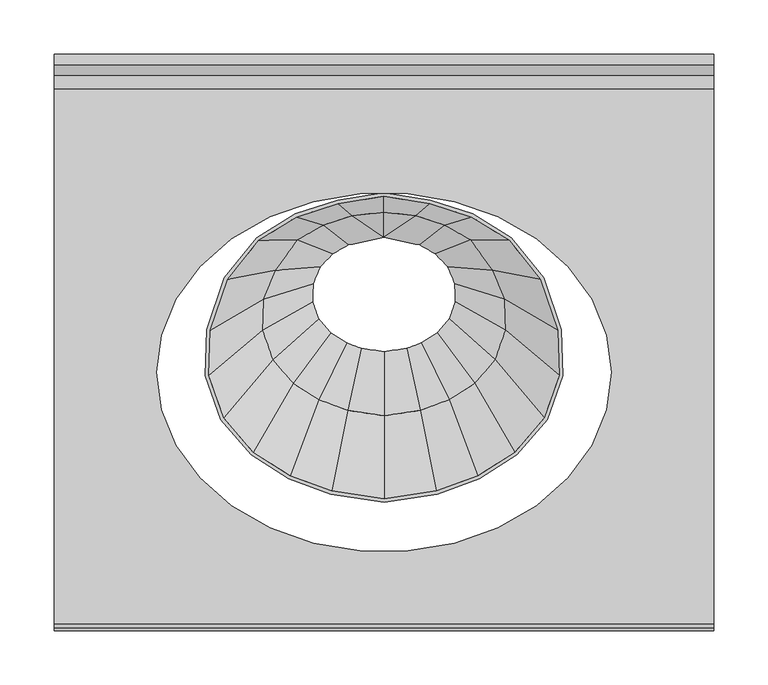
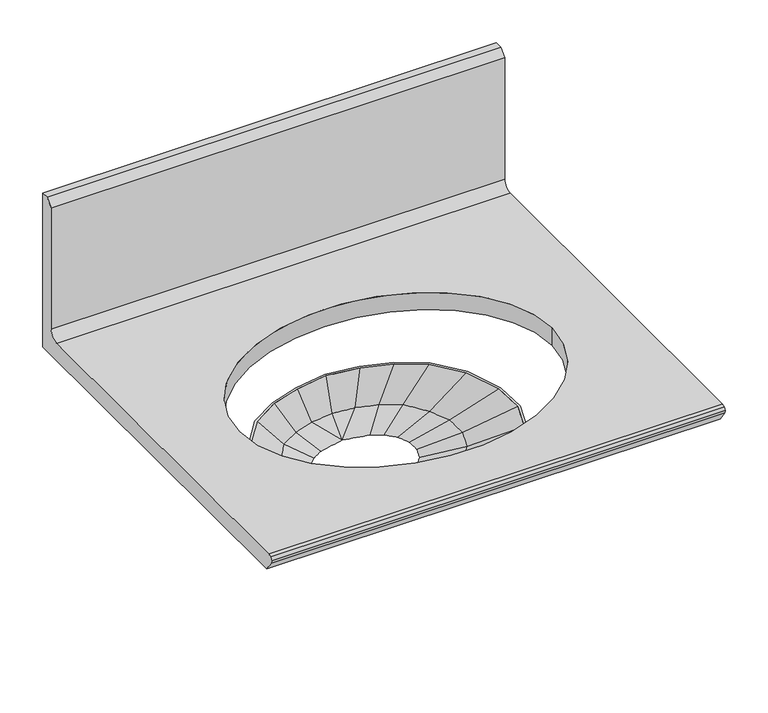
"""IFC4 building model written with IfcOpenShell, lengths in millimetres: furniture geometry."""

from ifc_helpers import new_model, si_unit, point, frame, origin, place, context, project, spatial, polyline, circle_curve, ellipse_curve, trimmed, source, transform, mapped, element, save
from ifc_brep_helpers import plane_surface, revolved_surface, extruded_surface, spline_surface, advanced_brep


def furniture_7bab2b50(model_context):
    return source(origin(), model_context, "Body", "AdvancedBrep", [
        advanced_brep(
        [(-24.0597237, -137.2040855, 819.3039971), (-63.2346944, -149.7707967, 819.3039971), (-98.9866182, -171.7890657, 819.3039971), (-128.6446462, -208.6531673, 819.3039971), (-145.1728616, -256.6473671, 819.3039971), (-146.3564376, -299.5059975, 819.3039971), (-132.036772, -339.9189559, 819.3039971), (-104.1327431, -372.4708933, 819.3039971), (-69.1948502, -394.530557, 819.3039971), (-30.4469791, -408.8793178, 819.3039971), (18.7377049, -416.1178339, 819.3039971), (67.922389, -408.8793178, 819.3039971), (106.67026, -394.530557, 819.3039971), (141.6081529, -372.4708933, 819.3039971), (169.5121819, -339.9189559, 819.3039971), (183.8318474, -299.5059975, 819.3039971), (182.6482714, -256.6473671, 819.3039971), (166.1200561, -208.6531673, 819.3039971), (136.4620281, -171.7890657, 819.3039971), (100.7101042, -149.7707967, 819.3039971), (61.5351335, -137.2040855, 819.3039971), (18.7377049, -130.2570379, 819.3039971), (-96.8557965, -174.2055888, 819.3039971), (-61.897904, -152.6763339, 819.3039971), (-23.3163113, -140.2999691, 819.3039971), (18.7377049, -133.4735951, 819.3039971), (60.7917211, -140.2999691, 819.3039971), (99.3733139, -152.6763339, 819.3039971), (134.3312064, -174.2055888, 819.3039971), (163.2986505, -210.211314, 819.3039971), (179.4879095, -257.2212613, 819.3039971), (180.6417396, -299.0027578, 819.3039971), (166.7169206, -338.3013803, 819.3039971), (139.5087825, -370.041514, 819.3039971), (105.2561194, -391.668526, 819.3039971), (67.1313943, -405.7865291, 819.3039971), (18.7377049, -412.9086344, 819.3039971), (-29.6559845, -405.7865291, 819.3039971), (-67.7807095, -391.668526, 819.3039971), (-102.0333726, -370.041514, 819.3039971), (-129.2415108, -338.3013803, 819.3039971), (-143.1663298, -299.0027578, 819.3039971), (-142.0124997, -257.2212613, 819.3039971), (-125.8232407, -210.211314, 819.3039971), (-11.2204819, -148.2516761, 774.5430665), (18.7377049, -144.9912103, 774.5430665), (48.6958917, -148.2516761, 774.5430665), (76.1183822, -157.1578912, 774.5430665), (101.1447252, -171.4755492, 774.5430665), (121.9053403, -200.1338654, 774.5430665), (133.4750919, -227.8266336, 774.5430665), (134.3035933, -257.827673, 774.5430665), (124.279832, -286.116753, 774.5430665), (104.7470126, -308.9030801, 774.5430665), (80.290493, -324.3448701, 774.5430665), (53.1669669, -334.3889882, 774.5430665), (18.7377049, -339.455928, 774.5430665), (-15.6915571, -334.3889882, 774.5430665), (-42.8150832, -324.3448701, 774.5430665), (-67.2716028, -308.9030801, 774.5430665), (-86.8044221, -286.116753, 774.5430665), (-96.8281835, -257.827673, 774.5430665), (-95.9996821, -227.8266336, 774.5430665), (-84.4299304, -200.1338654, 774.5430665), (-63.6693154, -171.4755492, 774.5430665), (-38.6429723, -157.1578912, 774.5430665), (-37.3506682, -160.0764329, 774.5430665), (-61.4992053, -173.8918951, 774.5430665), (-81.6424408, -201.6979696, 774.5430665), (-92.8422098, -228.5051664, 774.5430665), (-93.6380757, -257.3244337, 774.5430665), (-84.009161, -284.4991768, 774.5430665), (-65.1722323, -306.4737013, 774.5430665), (-41.4009422, -321.4828391, 774.5430665), (-14.9005643, -331.296199, 774.5430665), (18.7377049, -336.2467287, 774.5430665), (52.3759741, -331.296199, 774.5430665), (78.876352, -321.4828391, 774.5430665), (102.6476421, -306.4737013, 774.5430665), (121.4845708, -284.4991768, 774.5430665), (131.1134855, -257.3244337, 774.5430665), (130.3176197, -228.5051664, 774.5430665), (119.1178506, -201.6979696, 774.5430665), (98.9746151, -173.8918951, 774.5430665), (74.826078, -160.0764329, 774.5430665), (48.026713, -151.3725951, 774.5430665), (18.7377049, -148.1849586, 774.5430665), (-10.5513032, -151.3725951, 774.5430665)],
        [
            (0, 1),
            (1, 2),
            (2, 3),
            (3, 4),
            (4, 5),
            (5, 6),
            (6, 7),
            (7, 8),
            (8, 9),
            (9, 10),
            (10, 11),
            (11, 12),
            (12, 13),
            (13, 14),
            (14, 15),
            (15, 16),
            (16, 17),
            (17, 18),
            (18, 19),
            (19, 20),
            (20, 21),
            (21, 0),
            (22, 23),
            (23, 24),
            (24, 25),
            (25, 26),
            (26, 27),
            (27, 28),
            (28, 29),
            (29, 30),
            (30, 31),
            (31, 32),
            (32, 33),
            (33, 34),
            (34, 35),
            (35, 36),
            (36, 37),
            (37, 38),
            (38, 39),
            (39, 40),
            (40, 41),
            (41, 42),
            (42, 43),
            (43, 22),
            (44, 45),
            (45, 46),
            (46, 47),
            (47, 48),
            (48, 49),
            (49, 50),
            (50, 51),
            (51, 52),
            (52, 53),
            (53, 54),
            (54, 55),
            (55, 56),
            (56, 57),
            (57, 58),
            (58, 59),
            (59, 60),
            (60, 61),
            (61, 62),
            (62, 63),
            (63, 64),
            (64, 65),
            (65, 44),
            (66, 67),
            (67, 68),
            (68, 69),
            (69, 70),
            (70, 71),
            (71, 72),
            (72, 73),
            (73, 74),
            (74, 75),
            (75, 76),
            (76, 77),
            (77, 78),
            (78, 79),
            (79, 80),
            (80, 81),
            (81, 82),
            (82, 83),
            (83, 84),
            (84, 85),
            (85, 86),
            (86, 87),
            (87, 66),
            (0, 44),
            (65, 1),
            (64, 2),
            (63, 3),
            (62, 4),
            (61, 5),
            (60, 6),
            (59, 7),
            (58, 8),
            (57, 9),
            (56, 10),
            (55, 11),
            (54, 12),
            (53, 13),
            (52, 14),
            (51, 15),
            (50, 16),
            (49, 17),
            (48, 18),
            (47, 19),
            (46, 20),
            (45, 21),
            (66, 23),
            (22, 67),
            (43, 68),
            (42, 69),
            (41, 70),
            (40, 71),
            (39, 72),
            (38, 73),
            (37, 74),
            (36, 75),
            (35, 76),
            (34, 77),
            (33, 78),
            (32, 79),
            (31, 80),
            (30, 81),
            (29, 82),
            (28, 83),
            (27, 84),
            (26, 85),
            (25, 86),
            (24, 87),
        ],
        [
            plane_surface(frame((18.7377049, -273.8688763, 819.3039971), z_axis=(0.0, 0.0, 1.0), x_axis=(-0.9522071549282068, -0.30545299819044175, 0.0))),
            plane_surface(frame((18.7377049, -241.6955045, 774.5430665), z_axis=(0.0, 0.0, -1.0), x_axis=(-0.9522071549282068, -0.30545299819044175, 0.0))),
            spline_surface(1, 1, [[(-11.2204819, -148.2516761, 774.5430665), (-24.0597237, -137.2040855, 819.3039971)], [(-38.6429723, -157.1578912, 774.5430665), (-63.2346944, -149.7707967, 819.3039971)]], [2, 2], [2, 2], [0.0, 1.0], [0.0, 1.0]),
            spline_surface(1, 1, [[(-38.6429723, -157.1578912, 774.5430665), (-63.2346944, -149.7707967, 819.3039971)], [(-63.6693154, -171.4755492, 774.5430665), (-98.9866182, -171.7890657, 819.3039971)]], [2, 2], [2, 2], [0.0, 1.0], [0.0, 1.0]),
            spline_surface(1, 1, [[(-63.6693154, -171.4755492, 774.5430665), (-98.9866182, -171.7890657, 819.3039971)], [(-84.4299304, -200.1338654, 774.5430665), (-128.6446462, -208.6531673, 819.3039971)]], [2, 2], [2, 2], [0.0, 1.0], [0.0, 1.0]),
            spline_surface(1, 1, [[(-84.4299304, -200.1338654, 774.5430665), (-128.6446462, -208.6531673, 819.3039971)], [(-95.9996821, -227.8266336, 774.5430665), (-145.1728616, -256.6473671, 819.3039971)]], [2, 2], [2, 2], [0.0, 1.0], [0.0, 1.0]),
            spline_surface(1, 1, [[(-95.9996821, -227.8266336, 774.5430665), (-145.1728616, -256.6473671, 819.3039971)], [(-96.8281835, -257.827673, 774.5430665), (-146.3564376, -299.5059975, 819.3039971)]], [2, 2], [2, 2], [0.0, 1.0], [0.0, 1.0]),
            spline_surface(1, 1, [[(-96.8281835, -257.827673, 774.5430665), (-146.3564376, -299.5059975, 819.3039971)], [(-86.8044221, -286.116753, 774.5430665), (-132.036772, -339.9189559, 819.3039971)]], [2, 2], [2, 2], [0.0, 1.0], [0.0, 1.0]),
            spline_surface(1, 1, [[(-86.8044221, -286.116753, 774.5430665), (-132.036772, -339.9189559, 819.3039971)], [(-67.2716028, -308.9030801, 774.5430665), (-104.1327431, -372.4708933, 819.3039971)]], [2, 2], [2, 2], [0.0, 1.0], [0.0, 1.0]),
            spline_surface(1, 1, [[(-67.2716028, -308.9030801, 774.5430665), (-104.1327431, -372.4708933, 819.3039971)], [(-42.8150832, -324.3448701, 774.5430665), (-69.1948502, -394.530557, 819.3039971)]], [2, 2], [2, 2], [0.0, 1.0], [0.0, 1.0]),
            spline_surface(1, 1, [[(-42.8150832, -324.3448701, 774.5430665), (-69.1948502, -394.530557, 819.3039971)], [(-15.6915571, -334.3889882, 774.5430665), (-30.4469791, -408.8793178, 819.3039971)]], [2, 2], [2, 2], [0.0, 1.0], [0.0, 1.0]),
            spline_surface(1, 1, [[(-15.6915571, -334.3889882, 774.5430665), (-30.4469791, -408.8793178, 819.3039971)], [(18.7377049, -339.455928, 774.5430665), (18.7377049, -416.1178339, 819.3039971)]], [2, 2], [2, 2], [0.0, 1.0], [0.0, 1.0]),
            spline_surface(1, 1, [[(18.7377049, -339.455928, 774.5430665), (18.7377049, -416.1178339, 819.3039971)], [(53.1669669, -334.3889882, 774.5430665), (67.922389, -408.8793178, 819.3039971)]], [2, 2], [2, 2], [0.0, 1.0], [0.0, 1.0]),
            spline_surface(1, 1, [[(53.1669669, -334.3889882, 774.5430665), (67.922389, -408.8793178, 819.3039971)], [(80.290493, -324.3448701, 774.5430665), (106.67026, -394.530557, 819.3039971)]], [2, 2], [2, 2], [0.0, 1.0], [0.0, 1.0]),
            spline_surface(1, 1, [[(80.290493, -324.3448701, 774.5430665), (106.67026, -394.530557, 819.3039971)], [(104.7470126, -308.9030801, 774.5430665), (141.6081529, -372.4708933, 819.3039971)]], [2, 2], [2, 2], [0.0, 1.0], [0.0, 1.0]),
            spline_surface(1, 1, [[(104.7470126, -308.9030801, 774.5430665), (141.6081529, -372.4708933, 819.3039971)], [(124.279832, -286.116753, 774.5430665), (169.5121819, -339.9189559, 819.3039971)]], [2, 2], [2, 2], [0.0, 1.0], [0.0, 1.0]),
            spline_surface(1, 1, [[(124.279832, -286.116753, 774.5430665), (169.5121819, -339.9189559, 819.3039971)], [(134.3035933, -257.827673, 774.5430665), (183.8318474, -299.5059975, 819.3039971)]], [2, 2], [2, 2], [0.0, 1.0], [0.0, 1.0]),
            spline_surface(1, 1, [[(134.3035933, -257.827673, 774.5430665), (183.8318474, -299.5059975, 819.3039971)], [(133.4750919, -227.8266336, 774.5430665), (182.6482714, -256.6473671, 819.3039971)]], [2, 2], [2, 2], [0.0, 1.0], [0.0, 1.0]),
            spline_surface(1, 1, [[(133.4750919, -227.8266336, 774.5430665), (182.6482714, -256.6473671, 819.3039971)], [(121.9053403, -200.1338654, 774.5430665), (166.1200561, -208.6531673, 819.3039971)]], [2, 2], [2, 2], [0.0, 1.0], [0.0, 1.0]),
            spline_surface(1, 1, [[(121.9053403, -200.1338654, 774.5430665), (166.1200561, -208.6531673, 819.3039971)], [(101.1447252, -171.4755492, 774.5430665), (136.4620281, -171.7890657, 819.3039971)]], [2, 2], [2, 2], [0.0, 1.0], [0.0, 1.0]),
            spline_surface(1, 1, [[(101.1447252, -171.4755492, 774.5430665), (136.4620281, -171.7890657, 819.3039971)], [(76.1183822, -157.1578912, 774.5430665), (100.7101042, -149.7707967, 819.3039971)]], [2, 2], [2, 2], [0.0, 1.0], [0.0, 1.0]),
            spline_surface(1, 1, [[(76.1183822, -157.1578912, 774.5430665), (100.7101042, -149.7707967, 819.3039971)], [(48.6958917, -148.2516761, 774.5430665), (61.5351335, -137.2040855, 819.3039971)]], [2, 2], [2, 2], [0.0, 1.0], [0.0, 1.0]),
            spline_surface(1, 1, [[(48.6958917, -148.2516761, 774.5430665), (61.5351335, -137.2040855, 819.3039971)], [(18.7377049, -144.9912103, 774.5430665), (18.7377049, -130.2570379, 819.3039971)]], [2, 2], [2, 2], [0.0, 1.0], [0.0, 1.0]),
            spline_surface(1, 1, [[(18.7377049, -144.9912103, 774.5430665), (18.7377049, -130.2570379, 819.3039971)], [(-11.2204819, -148.2516761, 774.5430665), (-24.0597237, -137.2040855, 819.3039971)]], [2, 2], [2, 2], [0.0, 1.0], [0.0, 1.0]),
            spline_surface(1, 1, [[(-37.3506682, -160.0764329, 774.5430665), (-61.4992053, -173.8918951, 774.5430665)], [(-61.897904, -152.6763339, 819.3039971), (-96.8557965, -174.2055888, 819.3039971)]], [2, 2], [2, 2], [0.0, 1.0], [0.0, 1.0]),
            spline_surface(1, 1, [[(-61.4992053, -173.8918951, 774.5430665), (-81.6424408, -201.6979696, 774.5430665)], [(-96.8557965, -174.2055888, 819.3039971), (-125.8232407, -210.211314, 819.3039971)]], [2, 2], [2, 2], [0.0, 1.0], [0.0, 1.0]),
            spline_surface(1, 1, [[(-81.6424408, -201.6979696, 774.5430665), (-92.8422098, -228.5051664, 774.5430665)], [(-125.8232407, -210.211314, 819.3039971), (-142.0124997, -257.2212613, 819.3039971)]], [2, 2], [2, 2], [0.0, 1.0], [0.0, 1.0]),
            spline_surface(1, 1, [[(-92.8422098, -228.5051664, 774.5430665), (-93.6380757, -257.3244337, 774.5430665)], [(-142.0124997, -257.2212613, 819.3039971), (-143.1663298, -299.0027578, 819.3039971)]], [2, 2], [2, 2], [0.0, 1.0], [0.0, 1.0]),
            spline_surface(1, 1, [[(-93.6380757, -257.3244337, 774.5430665), (-84.009161, -284.4991768, 774.5430665)], [(-143.1663298, -299.0027578, 819.3039971), (-129.2415108, -338.3013803, 819.3039971)]], [2, 2], [2, 2], [0.0, 1.0], [0.0, 1.0]),
            spline_surface(1, 1, [[(-84.009161, -284.4991768, 774.5430665), (-65.1722323, -306.4737013, 774.5430665)], [(-129.2415108, -338.3013803, 819.3039971), (-102.0333726, -370.041514, 819.3039971)]], [2, 2], [2, 2], [0.0, 1.0], [0.0, 1.0]),
            spline_surface(1, 1, [[(-65.1722323, -306.4737013, 774.5430665), (-41.4009422, -321.4828391, 774.5430665)], [(-102.0333726, -370.041514, 819.3039971), (-67.7807095, -391.668526, 819.3039971)]], [2, 2], [2, 2], [0.0, 1.0], [0.0, 1.0]),
            spline_surface(1, 1, [[(-41.4009422, -321.4828391, 774.5430665), (-14.9005643, -331.296199, 774.5430665)], [(-67.7807095, -391.668526, 819.3039971), (-29.6559845, -405.7865291, 819.3039971)]], [2, 2], [2, 2], [0.0, 1.0], [0.0, 1.0]),
            spline_surface(1, 1, [[(-14.9005643, -331.296199, 774.5430665), (18.7377049, -336.2467287, 774.5430665)], [(-29.6559845, -405.7865291, 819.3039971), (18.7377049, -412.9086344, 819.3039971)]], [2, 2], [2, 2], [0.0, 1.0], [0.0, 1.0]),
            spline_surface(1, 1, [[(18.7377049, -336.2467287, 774.5430665), (52.3759741, -331.296199, 774.5430665)], [(18.7377049, -412.9086344, 819.3039971), (67.1313943, -405.7865291, 819.3039971)]], [2, 2], [2, 2], [0.0, 1.0], [0.0, 1.0]),
            spline_surface(1, 1, [[(52.3759741, -331.296199, 774.5430665), (78.876352, -321.4828391, 774.5430665)], [(67.1313943, -405.7865291, 819.3039971), (105.2561194, -391.668526, 819.3039971)]], [2, 2], [2, 2], [0.0, 1.0], [0.0, 1.0]),
            spline_surface(1, 1, [[(78.876352, -321.4828391, 774.5430665), (102.6476421, -306.4737013, 774.5430665)], [(105.2561194, -391.668526, 819.3039971), (139.5087825, -370.041514, 819.3039971)]], [2, 2], [2, 2], [0.0, 1.0], [0.0, 1.0]),
            spline_surface(1, 1, [[(102.6476421, -306.4737013, 774.5430665), (121.4845708, -284.4991768, 774.5430665)], [(139.5087825, -370.041514, 819.3039971), (166.7169206, -338.3013803, 819.3039971)]], [2, 2], [2, 2], [0.0, 1.0], [0.0, 1.0]),
            spline_surface(1, 1, [[(121.4845708, -284.4991768, 774.5430665), (131.1134855, -257.3244337, 774.5430665)], [(166.7169206, -338.3013803, 819.3039971), (180.6417396, -299.0027578, 819.3039971)]], [2, 2], [2, 2], [0.0, 1.0], [0.0, 1.0]),
            spline_surface(1, 1, [[(131.1134855, -257.3244337, 774.5430665), (130.3176197, -228.5051664, 774.5430665)], [(180.6417396, -299.0027578, 819.3039971), (179.4879095, -257.2212613, 819.3039971)]], [2, 2], [2, 2], [0.0, 1.0], [0.0, 1.0]),
            spline_surface(1, 1, [[(130.3176197, -228.5051664, 774.5430665), (119.1178506, -201.6979696, 774.5430665)], [(179.4879095, -257.2212613, 819.3039971), (163.2986505, -210.211314, 819.3039971)]], [2, 2], [2, 2], [0.0, 1.0], [0.0, 1.0]),
            spline_surface(1, 1, [[(119.1178506, -201.6979696, 774.5430665), (98.9746151, -173.8918951, 774.5430665)], [(163.2986505, -210.211314, 819.3039971), (134.3312064, -174.2055888, 819.3039971)]], [2, 2], [2, 2], [0.0, 1.0], [0.0, 1.0]),
            spline_surface(1, 1, [[(98.9746151, -173.8918951, 774.5430665), (74.826078, -160.0764329, 774.5430665)], [(134.3312064, -174.2055888, 819.3039971), (99.3733139, -152.6763339, 819.3039971)]], [2, 2], [2, 2], [0.0, 1.0], [0.0, 1.0]),
            spline_surface(1, 1, [[(74.826078, -160.0764329, 774.5430665), (48.026713, -151.3725951, 774.5430665)], [(99.3733139, -152.6763339, 819.3039971), (60.7917211, -140.2999691, 819.3039971)]], [2, 2], [2, 2], [0.0, 1.0], [0.0, 1.0]),
            spline_surface(1, 1, [[(48.026713, -151.3725951, 774.5430665), (18.7377049, -148.1849586, 774.5430665)], [(60.7917211, -140.2999691, 819.3039971), (18.7377049, -133.4735951, 819.3039971)]], [2, 2], [2, 2], [0.0, 1.0], [0.0, 1.0]),
            spline_surface(1, 1, [[(18.7377049, -148.1849586, 774.5430665), (-10.5513032, -151.3725951, 774.5430665)], [(18.7377049, -133.4735951, 819.3039971), (-23.3163113, -140.2999691, 819.3039971)]], [2, 2], [2, 2], [0.0, 1.0], [0.0, 1.0]),
            spline_surface(1, 1, [[(-10.5513032, -151.3725951, 774.5430665), (-37.3506682, -160.0764329, 774.5430665)], [(-23.3163113, -140.2999691, 819.3039971), (-61.897904, -152.6763339, 819.3039971)]], [2, 2], [2, 2], [0.0, 1.0], [0.0, 1.0]),
        ],
        [
            (0, [[1, 2, 3, 4, 5, 6, 7, 8, 9, 10, 11, 12, 13, 14, 15, 16, 17, 18, 19, 20, 21, 22], [23, 24, 25, 26, 27, 28, 29, 30, 31, 32, 33, 34, 35, 36, 37, 38, 39, 40, 41, 42, 43, 44]]),
            (1, [[45, 46, 47, 48, 49, 50, 51, 52, 53, 54, 55, 56, 57, 58, 59, 60, 61, 62, 63, 64, 65, 66], [67, 68, 69, 70, 71, 72, 73, 74, 75, 76, 77, 78, 79, 80, 81, 82, 83, 84, 85, 86, 87, 88]]),
            (2, [[-1, 89, -66, 90]]),
            (3, [[-2, -90, -65, 91]]),
            (4, [[-3, -91, -64, 92]]),
            (5, [[-4, -92, -63, 93]]),
            (6, [[-5, -93, -62, 94]]),
            (7, [[-6, -94, -61, 95]]),
            (8, [[-7, -95, -60, 96]]),
            (9, [[-8, -96, -59, 97]]),
            (10, [[-9, -97, -58, 98]]),
            (11, [[-10, -98, -57, 99]]),
            (12, [[-11, -99, -56, 100]]),
            (13, [[-12, -100, -55, 101]]),
            (14, [[-13, -101, -54, 102]]),
            (15, [[-14, -102, -53, 103]]),
            (16, [[-15, -103, -52, 104]]),
            (17, [[-16, -104, -51, 105]]),
            (18, [[-17, -105, -50, 106]]),
            (19, [[-18, -106, -49, 107]]),
            (20, [[-19, -107, -48, 108]]),
            (21, [[-20, -108, -47, 109]]),
            (22, [[-21, -109, -46, 110]]),
            (23, [[-22, -110, -45, -89]]),
            (24, [[111, -23, 112, -67]]),
            (25, [[-112, -44, 113, -68]]),
            (26, [[-113, -43, 114, -69]]),
            (27, [[-114, -42, 115, -70]]),
            (28, [[-115, -41, 116, -71]]),
            (29, [[-116, -40, 117, -72]]),
            (30, [[-117, -39, 118, -73]]),
            (31, [[-118, -38, 119, -74]]),
            (32, [[-119, -37, 120, -75]]),
            (33, [[-120, -36, 121, -76]]),
            (34, [[-121, -35, 122, -77]]),
            (35, [[-122, -34, 123, -78]]),
            (36, [[-123, -33, 124, -79]]),
            (37, [[-124, -32, 125, -80]]),
            (38, [[-125, -31, 126, -81]]),
            (39, [[-126, -30, 127, -82]]),
            (40, [[-127, -29, 128, -83]]),
            (41, [[-128, -28, 129, -84]]),
            (42, [[-129, -27, 130, -85]]),
            (43, [[-130, -26, 131, -86]]),
            (44, [[-131, -25, 132, -87]]),
            (45, [[-111, -88, -132, -24]]),
        ],
    ),
        advanced_brep(
        [(-38.6429723, -157.1578912, 774.5430665), (-63.6693154, -171.4755492, 774.5430665), (-84.4299304, -200.1338654, 774.5430665), (-95.9996821, -227.8266336, 774.5430665), (-96.8281835, -257.827673, 774.5430665), (-86.8044221, -286.116753, 774.5430665), (-67.2716028, -308.9030801, 774.5430665), (-42.8150832, -324.3448701, 774.5430665), (-15.6915571, -334.3889882, 774.5430665), (18.7377049, -339.455928, 774.5430665), (53.1669669, -334.3889882, 774.5430665), (80.290493, -324.3448701, 774.5430665), (104.7470126, -308.9030801, 774.5430665), (124.279832, -286.116753, 774.5430665), (134.3035933, -257.827673, 774.5430665), (133.4750919, -227.8266336, 774.5430665), (121.9053403, -200.1338654, 774.5430665), (101.1447252, -171.4755492, 774.5430665), (76.1183822, -157.1578912, 774.5430665), (48.6958917, -148.2516761, 774.5430665), (18.7377049, -144.9912103, 774.5430665), (-11.2204819, -148.2516761, 774.5430665), (-61.4992053, -173.8918951, 774.5430665), (-37.3506682, -160.0764329, 774.5430665), (-10.5513032, -151.3725951, 774.5430665), (18.7377049, -148.1849586, 774.5430665), (48.026713, -151.3725951, 774.5430665), (74.826078, -160.0764329, 774.5430665), (98.9746151, -173.8918951, 774.5430665), (119.1178506, -201.6979696, 774.5430665), (130.3176197, -228.5051664, 774.5430665), (131.1134855, -257.3244337, 774.5430665), (121.4845708, -284.4991768, 774.5430665), (102.6476421, -306.4737013, 774.5430665), (78.876352, -321.4828391, 774.5430665), (52.3759741, -331.296199, 774.5430665), (18.7377049, -336.2467287, 774.5430665), (-14.9005643, -331.296199, 774.5430665), (-41.4009422, -321.4828391, 774.5430665), (-65.1722323, -306.4737013, 774.5430665), (-84.009161, -284.4991768, 774.5430665), (-93.6380757, -257.3244337, 774.5430665), (-92.8422098, -228.5051664, 774.5430665), (-81.6424408, -201.6979696, 774.5430665), (-15.5833152, -175.4794291, 750.6956955), (18.7377049, -168.1204068, 750.6956955), (53.058725, -175.4794291, 750.6956955), (68.0276878, -184.0432232, 750.6956955), (80.4452074, -197.0068215, 750.6956955), (87.3654064, -213.5706724, 750.6956955), (87.8609612, -231.5151439, 750.6956955), (81.8654696, -248.4356591, 750.6956955), (70.1823164, -262.0648054, 750.6956955), (54.6193719, -271.8912115, 750.6956955), (40.4246174, -277.1476864, 750.6956955), (18.7377049, -280.3393492, 750.6956955), (-2.9492076, -277.1476864, 750.6956955), (-17.1439621, -271.8912115, 750.6956955), (-32.7069066, -262.0648054, 750.6956955), (-44.3900597, -248.4356591, 750.6956955), (-50.3855513, -231.5151439, 750.6956955), (-49.8899966, -213.5706724, 750.6956955), (-42.9697976, -197.0068215, 750.6956955), (-30.5522779, -184.0432232, 750.6956955), (-14.4350781, -178.480392, 750.6956955), (-28.5770714, -186.5710742, 750.6956955), (-40.2680696, -198.7762011, 750.6956955), (-46.7325245, -214.2492051, 750.6956955), (-47.1954435, -231.0119058, 750.6956955), (-41.5947986, -246.8180821, 750.6956955), (-30.6075374, -259.6354257, 750.6956955), (-15.7298201, -269.0291811, 750.6956955), (-2.1582129, -274.0548976, 750.6956955), (18.7377049, -277.1301497, 750.6956955), (39.6336228, -274.0548976, 750.6956955), (53.2052299, -269.0291811, 750.6956955), (68.0829473, -259.6354257, 750.6956955), (79.0702084, -246.8180821, 750.6956955), (84.6708533, -231.0119058, 750.6956955), (84.2079343, -214.2492051, 750.6956955), (77.7434795, -198.7762011, 750.6956955), (66.0524813, -186.5710742, 750.6956955), (51.910488, -178.480392, 750.6956955), (18.7377049, -171.3675717, 750.6956955)],
        [
            (0, 1),
            (1, 2),
            (2, 3),
            (3, 4),
            (4, 5),
            (5, 6),
            (6, 7),
            (7, 8),
            (8, 9),
            (9, 10),
            (10, 11),
            (11, 12),
            (12, 13),
            (13, 14),
            (14, 15),
            (15, 16),
            (16, 17),
            (17, 18),
            (18, 19),
            (19, 20),
            (20, 21),
            (21, 0),
            (22, 23),
            (23, 24),
            (24, 25),
            (25, 26),
            (26, 27),
            (27, 28),
            (28, 29),
            (29, 30),
            (30, 31),
            (31, 32),
            (32, 33),
            (33, 34),
            (34, 35),
            (35, 36),
            (36, 37),
            (37, 38),
            (38, 39),
            (39, 40),
            (40, 41),
            (41, 42),
            (42, 43),
            (43, 22),
            (44, 45),
            (45, 46),
            (46, 47),
            (47, 48),
            (48, 49),
            (49, 50),
            (50, 51),
            (51, 52),
            (52, 53),
            (53, 54),
            (54, 55),
            (55, 56),
            (56, 57),
            (57, 58),
            (58, 59),
            (59, 60),
            (60, 61),
            (61, 62),
            (62, 63),
            (63, 44),
            (64, 65),
            (65, 66),
            (66, 67),
            (67, 68),
            (68, 69),
            (69, 70),
            (70, 71),
            (71, 72),
            (72, 73),
            (73, 74),
            (74, 75),
            (75, 76),
            (76, 77),
            (77, 78),
            (78, 79),
            (79, 80),
            (80, 81),
            (81, 82),
            (82, 83),
            (83, 64),
            (0, 44),
            (63, 1),
            (62, 2),
            (61, 3),
            (60, 4),
            (59, 5),
            (58, 6),
            (57, 7),
            (56, 8),
            (55, 9),
            (54, 10),
            (53, 11),
            (52, 12),
            (51, 13),
            (50, 14),
            (49, 15),
            (48, 16),
            (47, 17),
            (46, 18),
            (45, 19),
            (45, 20),
            (45, 21),
            (64, 23),
            (22, 65),
            (43, 66),
            (42, 67),
            (41, 68),
            (40, 69),
            (39, 70),
            (38, 71),
            (37, 72),
            (36, 73),
            (35, 74),
            (34, 75),
            (33, 76),
            (32, 77),
            (31, 78),
            (30, 79),
            (29, 80),
            (28, 81),
            (27, 82),
            (26, 83),
            (25, 83),
            (24, 83),
        ],
        [
            plane_surface(frame((18.7377049, -241.6955045, 774.5430665), z_axis=(0.0, 0.0, 1.0), x_axis=(-0.9941296915036737, -0.10819499281764651, 0.0))),
            plane_surface(frame((18.7377049, -228.538453, 750.6956955), z_axis=(0.0, 0.0, -1.0), x_axis=(-0.9941296915036737, -0.10819499281764651, 0.0))),
            spline_surface(1, 1, [[(-15.5833152, -175.4794291, 750.6956955), (-38.6429723, -157.1578912, 774.5430665)], [(-30.5522779, -184.0432232, 750.6956955), (-63.6693154, -171.4755492, 774.5430665)]], [2, 2], [2, 2], [0.0, 1.0], [0.0, 1.0]),
            spline_surface(1, 1, [[(-30.5522779, -184.0432232, 750.6956955), (-63.6693154, -171.4755492, 774.5430665)], [(-42.9697976, -197.0068215, 750.6956955), (-84.4299304, -200.1338654, 774.5430665)]], [2, 2], [2, 2], [0.0, 1.0], [0.0, 1.0]),
            spline_surface(1, 1, [[(-42.9697976, -197.0068215, 750.6956955), (-84.4299304, -200.1338654, 774.5430665)], [(-49.8899966, -213.5706724, 750.6956955), (-95.9996821, -227.8266336, 774.5430665)]], [2, 2], [2, 2], [0.0, 1.0], [0.0, 1.0]),
            spline_surface(1, 1, [[(-49.8899966, -213.5706724, 750.6956955), (-95.9996821, -227.8266336, 774.5430665)], [(-50.3855513, -231.5151439, 750.6956955), (-96.8281835, -257.827673, 774.5430665)]], [2, 2], [2, 2], [0.0, 1.0], [0.0, 1.0]),
            spline_surface(1, 1, [[(-50.3855513, -231.5151439, 750.6956955), (-96.8281835, -257.827673, 774.5430665)], [(-44.3900597, -248.4356591, 750.6956955), (-86.8044221, -286.116753, 774.5430665)]], [2, 2], [2, 2], [0.0, 1.0], [0.0, 1.0]),
            spline_surface(1, 1, [[(-44.3900597, -248.4356591, 750.6956955), (-86.8044221, -286.116753, 774.5430665)], [(-32.7069066, -262.0648054, 750.6956955), (-67.2716028, -308.9030801, 774.5430665)]], [2, 2], [2, 2], [0.0, 1.0], [0.0, 1.0]),
            spline_surface(1, 1, [[(-32.7069066, -262.0648054, 750.6956955), (-67.2716028, -308.9030801, 774.5430665)], [(-17.1439621, -271.8912115, 750.6956955), (-42.8150832, -324.3448701, 774.5430665)]], [2, 2], [2, 2], [0.0, 1.0], [0.0, 1.0]),
            spline_surface(1, 1, [[(-17.1439621, -271.8912115, 750.6956955), (-42.8150832, -324.3448701, 774.5430665)], [(-2.9492076, -277.1476864, 750.6956955), (-15.6915571, -334.3889882, 774.5430665)]], [2, 2], [2, 2], [0.0, 1.0], [0.0, 1.0]),
            spline_surface(1, 1, [[(-2.9492076, -277.1476864, 750.6956955), (-15.6915571, -334.3889882, 774.5430665)], [(18.7377049, -280.3393492, 750.6956955), (18.7377049, -339.455928, 774.5430665)]], [2, 2], [2, 2], [0.0, 1.0], [0.0, 1.0]),
            spline_surface(1, 1, [[(18.7377049, -280.3393492, 750.6956955), (18.7377049, -339.455928, 774.5430665)], [(40.4246174, -277.1476864, 750.6956955), (53.1669669, -334.3889882, 774.5430665)]], [2, 2], [2, 2], [0.0, 1.0], [0.0, 1.0]),
            spline_surface(1, 1, [[(40.4246174, -277.1476864, 750.6956955), (53.1669669, -334.3889882, 774.5430665)], [(54.6193719, -271.8912115, 750.6956955), (80.290493, -324.3448701, 774.5430665)]], [2, 2], [2, 2], [0.0, 1.0], [0.0, 1.0]),
            spline_surface(1, 1, [[(54.6193719, -271.8912115, 750.6956955), (80.290493, -324.3448701, 774.5430665)], [(70.1823164, -262.0648054, 750.6956955), (104.7470126, -308.9030801, 774.5430665)]], [2, 2], [2, 2], [0.0, 1.0], [0.0, 1.0]),
            spline_surface(1, 1, [[(70.1823164, -262.0648054, 750.6956955), (104.7470126, -308.9030801, 774.5430665)], [(81.8654696, -248.4356591, 750.6956955), (124.279832, -286.116753, 774.5430665)]], [2, 2], [2, 2], [0.0, 1.0], [0.0, 1.0]),
            spline_surface(1, 1, [[(81.8654696, -248.4356591, 750.6956955), (124.279832, -286.116753, 774.5430665)], [(87.8609612, -231.5151439, 750.6956955), (134.3035933, -257.827673, 774.5430665)]], [2, 2], [2, 2], [0.0, 1.0], [0.0, 1.0]),
            spline_surface(1, 1, [[(87.8609612, -231.5151439, 750.6956955), (134.3035933, -257.827673, 774.5430665)], [(87.3654064, -213.5706724, 750.6956955), (133.4750919, -227.8266336, 774.5430665)]], [2, 2], [2, 2], [0.0, 1.0], [0.0, 1.0]),
            spline_surface(1, 1, [[(87.3654064, -213.5706724, 750.6956955), (133.4750919, -227.8266336, 774.5430665)], [(80.4452074, -197.0068215, 750.6956955), (121.9053403, -200.1338654, 774.5430665)]], [2, 2], [2, 2], [0.0, 1.0], [0.0, 1.0]),
            spline_surface(1, 1, [[(80.4452074, -197.0068215, 750.6956955), (121.9053403, -200.1338654, 774.5430665)], [(68.0276878, -184.0432232, 750.6956955), (101.1447252, -171.4755492, 774.5430665)]], [2, 2], [2, 2], [0.0, 1.0], [0.0, 1.0]),
            spline_surface(1, 1, [[(68.0276878, -184.0432232, 750.6956955), (101.1447252, -171.4755492, 774.5430665)], [(53.058725, -175.4794291, 750.6956955), (76.1183822, -157.1578912, 774.5430665)]], [2, 2], [2, 2], [0.0, 1.0], [0.0, 1.0]),
            spline_surface(1, 1, [[(53.058725, -175.4794291, 750.6956955), (76.1183822, -157.1578912, 774.5430665)], [(18.7377049, -168.1204068, 750.6956955), (48.6958917, -148.2516761, 774.5430665)]], [2, 2], [2, 2], [0.0, 1.0], [0.0, 1.0]),
            plane_surface(frame((18.7377049, -168.1204068, 750.6956955), z_axis=(0.07788723354249719, 0.7156524478372029, -0.6941002469065375), x_axis=(-0.9941296915036737, 0.10819499281764651, 0.0))),
            plane_surface(frame((18.7377049, -168.1204068, 750.6956955), z_axis=(-0.07788723354249717, 0.7156524478372028, -0.6941002469065375), x_axis=(-0.9941296915036737, -0.10819499281764651, 0.0))),
            spline_surface(1, 1, [[(18.7377049, -168.1204068, 750.6956955), (-11.2204819, -148.2516761, 774.5430665)], [(-15.5833152, -175.4794291, 750.6956955), (-38.6429723, -157.1578912, 774.5430665)]], [2, 2], [2, 2], [0.0, 1.0], [0.0, 1.0]),
            spline_surface(1, 1, [[(-14.4350781, -178.480392, 750.6956955), (-28.5770714, -186.5710742, 750.6956955)], [(-37.3506682, -160.0764329, 774.5430665), (-61.4992053, -173.8918951, 774.5430665)]], [2, 2], [2, 2], [0.0, 1.0], [0.0, 1.0]),
            spline_surface(1, 1, [[(-28.5770714, -186.5710742, 750.6956955), (-40.2680696, -198.7762011, 750.6956955)], [(-61.4992053, -173.8918951, 774.5430665), (-81.6424408, -201.6979696, 774.5430665)]], [2, 2], [2, 2], [0.0, 1.0], [0.0, 1.0]),
            spline_surface(1, 1, [[(-40.2680696, -198.7762011, 750.6956955), (-46.7325245, -214.2492051, 750.6956955)], [(-81.6424408, -201.6979696, 774.5430665), (-92.8422098, -228.5051664, 774.5430665)]], [2, 2], [2, 2], [0.0, 1.0], [0.0, 1.0]),
            spline_surface(1, 1, [[(-46.7325245, -214.2492051, 750.6956955), (-47.1954435, -231.0119058, 750.6956955)], [(-92.8422098, -228.5051664, 774.5430665), (-93.6380757, -257.3244337, 774.5430665)]], [2, 2], [2, 2], [0.0, 1.0], [0.0, 1.0]),
            spline_surface(1, 1, [[(-47.1954435, -231.0119058, 750.6956955), (-41.5947986, -246.8180821, 750.6956955)], [(-93.6380757, -257.3244337, 774.5430665), (-84.009161, -284.4991768, 774.5430665)]], [2, 2], [2, 2], [0.0, 1.0], [0.0, 1.0]),
            spline_surface(1, 1, [[(-41.5947986, -246.8180821, 750.6956955), (-30.6075374, -259.6354257, 750.6956955)], [(-84.009161, -284.4991768, 774.5430665), (-65.1722323, -306.4737013, 774.5430665)]], [2, 2], [2, 2], [0.0, 1.0], [0.0, 1.0]),
            spline_surface(1, 1, [[(-30.6075374, -259.6354257, 750.6956955), (-15.7298201, -269.0291811, 750.6956955)], [(-65.1722323, -306.4737013, 774.5430665), (-41.4009422, -321.4828391, 774.5430665)]], [2, 2], [2, 2], [0.0, 1.0], [0.0, 1.0]),
            spline_surface(1, 1, [[(-15.7298201, -269.0291811, 750.6956955), (-2.1582129, -274.0548976, 750.6956955)], [(-41.4009422, -321.4828391, 774.5430665), (-14.9005643, -331.296199, 774.5430665)]], [2, 2], [2, 2], [0.0, 1.0], [0.0, 1.0]),
            spline_surface(1, 1, [[(-2.1582129, -274.0548976, 750.6956955), (18.7377049, -277.1301497, 750.6956955)], [(-14.9005643, -331.296199, 774.5430665), (18.7377049, -336.2467287, 774.5430665)]], [2, 2], [2, 2], [0.0, 1.0], [0.0, 1.0]),
            spline_surface(1, 1, [[(18.7377049, -277.1301497, 750.6956955), (39.6336228, -274.0548976, 750.6956955)], [(18.7377049, -336.2467287, 774.5430665), (52.3759741, -331.296199, 774.5430665)]], [2, 2], [2, 2], [0.0, 1.0], [0.0, 1.0]),
            spline_surface(1, 1, [[(39.6336228, -274.0548976, 750.6956955), (53.2052299, -269.0291811, 750.6956955)], [(52.3759741, -331.296199, 774.5430665), (78.876352, -321.4828391, 774.5430665)]], [2, 2], [2, 2], [0.0, 1.0], [0.0, 1.0]),
            spline_surface(1, 1, [[(53.2052299, -269.0291811, 750.6956955), (68.0829473, -259.6354257, 750.6956955)], [(78.876352, -321.4828391, 774.5430665), (102.6476421, -306.4737013, 774.5430665)]], [2, 2], [2, 2], [0.0, 1.0], [0.0, 1.0]),
            spline_surface(1, 1, [[(68.0829473, -259.6354257, 750.6956955), (79.0702084, -246.8180821, 750.6956955)], [(102.6476421, -306.4737013, 774.5430665), (121.4845708, -284.4991768, 774.5430665)]], [2, 2], [2, 2], [0.0, 1.0], [0.0, 1.0]),
            spline_surface(1, 1, [[(79.0702084, -246.8180821, 750.6956955), (84.6708533, -231.0119058, 750.6956955)], [(121.4845708, -284.4991768, 774.5430665), (131.1134855, -257.3244337, 774.5430665)]], [2, 2], [2, 2], [0.0, 1.0], [0.0, 1.0]),
            spline_surface(1, 1, [[(84.6708533, -231.0119058, 750.6956955), (84.2079343, -214.2492051, 750.6956955)], [(131.1134855, -257.3244337, 774.5430665), (130.3176197, -228.5051664, 774.5430665)]], [2, 2], [2, 2], [0.0, 1.0], [0.0, 1.0]),
            spline_surface(1, 1, [[(84.2079343, -214.2492051, 750.6956955), (77.7434795, -198.7762011, 750.6956955)], [(130.3176197, -228.5051664, 774.5430665), (119.1178506, -201.6979696, 774.5430665)]], [2, 2], [2, 2], [0.0, 1.0], [0.0, 1.0]),
            spline_surface(1, 1, [[(77.7434795, -198.7762011, 750.6956955), (66.0524813, -186.5710742, 750.6956955)], [(119.1178506, -201.6979696, 774.5430665), (98.9746151, -173.8918951, 774.5430665)]], [2, 2], [2, 2], [0.0, 1.0], [0.0, 1.0]),
            spline_surface(1, 1, [[(66.0524813, -186.5710742, 750.6956955), (51.910488, -178.480392, 750.6956955)], [(98.9746151, -173.8918951, 774.5430665), (74.826078, -160.0764329, 774.5430665)]], [2, 2], [2, 2], [0.0, 1.0], [0.0, 1.0]),
            spline_surface(1, 1, [[(51.910488, -178.480392, 750.6956955), (18.7377049, -171.3675717, 750.6956955)], [(74.826078, -160.0764329, 774.5430665), (48.026713, -151.3725951, 774.5430665)]], [2, 2], [2, 2], [0.0, 1.0], [0.0, 1.0]),
            plane_surface(frame((18.7377049, -171.3675717, 750.6956955), z_axis=(-0.07780061665846365, -0.7148565846095196, 0.6949295845536981), x_axis=(-0.9941296915036737, 0.10819499281764616, 0.0))),
            plane_surface(frame((18.7377049, -171.3675717, 750.6956955), z_axis=(0.07780061665846368, -0.7148565846095198, 0.694929584553698), x_axis=(-0.9941296915036737, -0.10819499281764616, 0.0))),
            spline_surface(1, 1, [[(18.7377049, -171.3675717, 750.6956955), (-14.4350781, -178.480392, 750.6956955)], [(-10.5513032, -151.3725951, 774.5430665), (-37.3506682, -160.0764329, 774.5430665)]], [2, 2], [2, 2], [0.0, 1.0], [0.0, 1.0]),
        ],
        [
            (0, [[1, 2, 3, 4, 5, 6, 7, 8, 9, 10, 11, 12, 13, 14, 15, 16, 17, 18, 19, 20, 21, 22], [23, 24, 25, 26, 27, 28, 29, 30, 31, 32, 33, 34, 35, 36, 37, 38, 39, 40, 41, 42, 43, 44]]),
            (1, [[45, 46, 47, 48, 49, 50, 51, 52, 53, 54, 55, 56, 57, 58, 59, 60, 61, 62, 63, 64], [65, 66, 67, 68, 69, 70, 71, 72, 73, 74, 75, 76, 77, 78, 79, 80, 81, 82, 83, 84]]),
            (2, [[-1, 85, -64, 86]]),
            (3, [[-2, -86, -63, 87]]),
            (4, [[-3, -87, -62, 88]]),
            (5, [[-4, -88, -61, 89]]),
            (6, [[-5, -89, -60, 90]]),
            (7, [[-6, -90, -59, 91]]),
            (8, [[-7, -91, -58, 92]]),
            (9, [[-8, -92, -57, 93]]),
            (10, [[-9, -93, -56, 94]]),
            (11, [[-10, -94, -55, 95]]),
            (12, [[-11, -95, -54, 96]]),
            (13, [[-12, -96, -53, 97]]),
            (14, [[-13, -97, -52, 98]]),
            (15, [[-14, -98, -51, 99]]),
            (16, [[-15, -99, -50, 100]]),
            (17, [[-16, -100, -49, 101]]),
            (18, [[-17, -101, -48, 102]]),
            (19, [[-18, -102, -47, 103]]),
            (20, [[-19, -103, -46, 104]]),
            (21, [[-20, -104, 105]]),
            (22, [[-21, -105, 106]]),
            (23, [[-22, -106, -45, -85]]),
            (24, [[107, -23, 108, -65]]),
            (25, [[-108, -44, 109, -66]]),
            (26, [[-109, -43, 110, -67]]),
            (27, [[-110, -42, 111, -68]]),
            (28, [[-111, -41, 112, -69]]),
            (29, [[-112, -40, 113, -70]]),
            (30, [[-113, -39, 114, -71]]),
            (31, [[-114, -38, 115, -72]]),
            (32, [[-115, -37, 116, -73]]),
            (33, [[-116, -36, 117, -74]]),
            (34, [[-117, -35, 118, -75]]),
            (35, [[-118, -34, 119, -76]]),
            (36, [[-119, -33, 120, -77]]),
            (37, [[-120, -32, 121, -78]]),
            (38, [[-121, -31, 122, -79]]),
            (39, [[-122, -30, 123, -80]]),
            (40, [[-123, -29, 124, -81]]),
            (41, [[-124, -28, 125, -82]]),
            (42, [[-125, -27, 126, -83]]),
            (43, [[-126, -26, 127]]),
            (44, [[-127, -25, 128]]),
            (45, [[-107, -84, -128, -24]]),
        ],
    ),
        advanced_brep(
        [(-286.0622951, -2.2064662, 887.48362), (-286.0622951, -523.6076217, 887.48362), (-286.0622951, -533.6823104, 901.8717588), (-286.0622951, -534.8127162, 906.2168226), (-286.0622951, -532.6606068, 910.2852351), (-286.0622951, -528.4854264, 911.886255), (-286.0622951, -34.4931938, 911.886255), (-286.0622951, -21.75256, 924.6268888), (-286.0622951, -21.75256, 1096.7822242), (-286.0622951, -12.2390513, 1106.2956955), (-286.0622951, -2.2064662, 1106.2956955), (323.5377049, -2.2064663, 887.48362), (323.5377049, -2.2064663, 1106.2956955), (323.5377049, -12.2390513, 1106.2956955), (323.5377049, -21.75256, 1096.7822242), (323.5377049, -21.75256, 924.6268888), (323.5377049, -34.4931938, 911.886255), (323.5377049, -528.4854264, 911.886255), (323.5377049, -532.6606068, 910.2852351), (323.5377049, -534.8127163, 906.2168226), (323.5377049, -533.6823104, 901.8717588), (323.5377049, -523.6076217, 887.48362), (-191.2700757, -296.2032184, 887.48362), (228.7454855, -296.2032184, 887.48362), (228.7454855, -296.2032184, 911.886255), (-191.2700757, -296.2032184, 911.886255)],
        [
            (0, 1),
            (1, 2),
            (2, 3),
            (3, 4),
            (4, 5),
            (5, 6),
            (6, 7, circle_curve(frame((-286.0622951, -34.4931938, 924.6268888), z_axis=(1.0, 0.0, 0.0), x_axis=(0.0, -1.0, 0.0)), 12.7406338)),
            (7, 8),
            (8, 9),
            (9, 10),
            (10, 0),
            (11, 12),
            (12, 13),
            (13, 14),
            (14, 15),
            (15, 16, circle_curve(frame((323.5377049, -34.4931938, 924.6268888), z_axis=(-1.0, 0.0, 0.0), x_axis=(0.0, -1.0, 0.0)), 12.7406338)),
            (16, 17),
            (17, 18),
            (18, 19),
            (19, 20),
            (20, 21),
            (21, 11),
            (0, 11),
            (21, 1),
            (22, 23, ellipse_curve(frame((18.7377049, -296.2032184, 887.48362), z_axis=(0.0, 0.0, 1.0), x_axis=(1.0, 0.0, 0.0)), 210.0077806, 165.8793926)),
            (23, 22, ellipse_curve(frame((18.7377049, -296.2032184, 887.48362), z_axis=(0.0, 0.0, 1.0), x_axis=(1.0, 0.0, 0.0)), 210.0077806, 165.8793926)),
            (5, 17),
            (16, 6),
            (24, 25, ellipse_curve(frame((18.7377049, -296.2032184, 911.886255), z_axis=(0.0, 0.0, -1.0), x_axis=(1.0, 0.0, 0.0)), 210.0077806, 165.8793926)),
            (25, 24, ellipse_curve(frame((18.7377049, -296.2032184, 911.886255), z_axis=(0.0, 0.0, -1.0), x_axis=(1.0, 0.0, 0.0)), 210.0077806, 165.8793926)),
            (7, 15),
            (14, 8),
            (9, 13),
            (12, 10),
            (20, 2),
            (19, 3),
            (18, 4),
            (22, 25),
            (24, 23),
        ],
        [
            plane_surface(frame((-286.0622951, -2.2064662, 887.48362), z_axis=(-1.0, 0.0, 0.0), x_axis=(0.0, -1.0, 0.0))),
            plane_surface(frame((323.5377049, -2.2064663, 887.48362), z_axis=(1.0, 0.0, 0.0), x_axis=(0.0, 1.0, 0.0))),
            plane_surface(frame((-286.0622951, -2.2064662, 887.48362), z_axis=(0.0, 0.0, -1.0), x_axis=(1.0, 0.0, 0.0))),
            plane_surface(frame((-286.0622951, -528.4854264, 911.886255), z_axis=(0.0, 0.0, 1.0), x_axis=(1.0, 0.0, 0.0))),
            plane_surface(frame((-286.0622951, -21.75256, 924.6268888), z_axis=(0.0, -1.0, 0.0), x_axis=(1.0, 0.0, 0.0))),
            plane_surface(frame((-286.0622951, -12.2390513, 1106.2956955), z_axis=(0.0, 0.0, 1.0), x_axis=(1.0, 0.0, 0.0))),
            plane_surface(frame((-286.0622951, -2.2064662, 1106.2956955), z_axis=(0.0, 1.0, 0.0), x_axis=(1.0, 0.0, 0.0))),
            revolved_surface(polyline([(323.5377049, -47.2338276, 924.6268888), (-286.0622950999999, -47.2338276, 924.6268888)]), (323.5377049, -34.4931938, 924.6268888), (1.0, 0.0, 0.0)),
            plane_surface(frame((-286.0622951, -523.6076217, 887.48362), z_axis=(0.0, -0.8191518980959045, -0.5735766451363556), x_axis=(1.0, 0.0, 0.0))),
            plane_surface(frame((-286.0622951, -533.6823104, 901.8717588), z_axis=(0.0, -0.9677851100327822, -0.2517776415785078), x_axis=(1.0, 0.0, 0.0))),
            plane_surface(frame((-286.0622951, -534.8127162, 906.2168226), z_axis=(0.0, -0.8839456336638805, 0.4675896884305309), x_axis=(1.0, 0.0, 0.0))),
            plane_surface(frame((-286.0622951, -532.6606068, 910.2852351), z_axis=(0.0, -0.358040142058586, 0.9337061939789559), x_axis=(1.0, 0.0, 0.0))),
            plane_surface(frame((-286.0622951, -21.75256, 1096.7822242), z_axis=(0.0, -0.7071053902793355, 0.7071081720910235), x_axis=(1.0, 0.0, 0.0))),
            extruded_surface(trimmed(ellipse_curve(frame((18.7377049, -296.2032184, 750.6956955), z_axis=(0.0, 0.0, 1.0), x_axis=(1.0, 0.0, 0.0)), 210.0077806, 165.8793926), [point((-191.2700757, -296.2032184, 750.6956955))], [point((228.7454855, -296.2032184, 750.6956955))], True, "CARTESIAN"), (0.0, 0.0, -177.80000000000007), 177.80000000000007),
            extruded_surface(trimmed(ellipse_curve(frame((18.7377049, -296.2032184, 750.6956955), z_axis=(0.0, 0.0, 1.0), x_axis=(1.0, 0.0, 0.0)), 210.0077806, 165.8793926), [point((228.7454855, -296.2032184, 750.6956955))], [point((-191.2700757, -296.2032184, 750.6956955))], True, "CARTESIAN"), (0.0, 0.0, -177.80000000000007), 177.80000000000007),
        ],
        [
            (0, [[1, 2, 3, 4, 5, 6, 7, 8, 9, 10, 11]]),
            (1, [[12, 13, 14, 15, 16, 17, 18, 19, 20, 21, 22]]),
            (2, [[-1, 23, -22, 24], [25, 26]]),
            (3, [[-6, 27, -17, 28], [29, 30]]),
            (4, [[-8, 31, -15, 32]]),
            (5, [[-10, 33, -13, 34]]),
            (6, [[-11, -34, -12, -23]]),
            (7, [[-7, -28, -16, -31]]),
            (8, [[-2, -24, -21, 35]]),
            (9, [[-3, -35, -20, 36]]),
            (10, [[-4, -36, -19, 37]]),
            (11, [[-5, -37, -18, -27]]),
            (12, [[-9, -32, -14, -33]]),
            (13, [[38, -29, 39, -25]]),
            (14, [[-38, -26, -39, -30]]),
        ],
    ),
    ])


if __name__ == "__main__":
    model = new_model("IFC4")
    model_context = context("Model", 3, world=origin())
    ifc_project = project(units=[si_unit("LENGTHUNIT", "METRE", prefix="MILLI")], contexts=[model_context])
    site = spatial("IfcSite", under=ifc_project)
    building = spatial("IfcBuilding", under=site)
    placement = place(None, origin())
    furniture_shape = furniture_7bab2b50(model_context)
    element("IfcFurniture", 1, at=placement, inside=building, context=model_context, shape_type="MappedRepresentation", body=[
        mapped(furniture_shape, transform((0.0, 0.0, 0.0), x_axis=(1.0, 0.0, 0.0), y_axis=(0.0, 1.0, 0.0), z_axis=(0.0, 0.0, 1.0))),
    ])
    save(model, "model.ifc")
